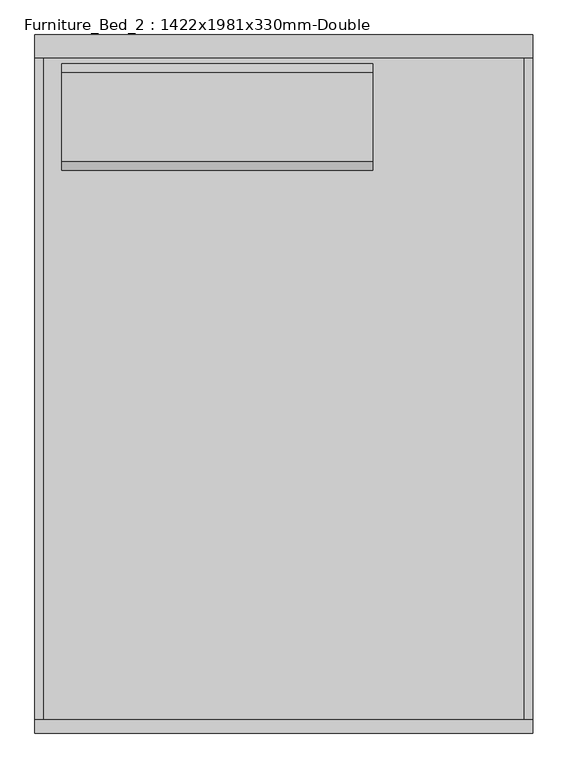
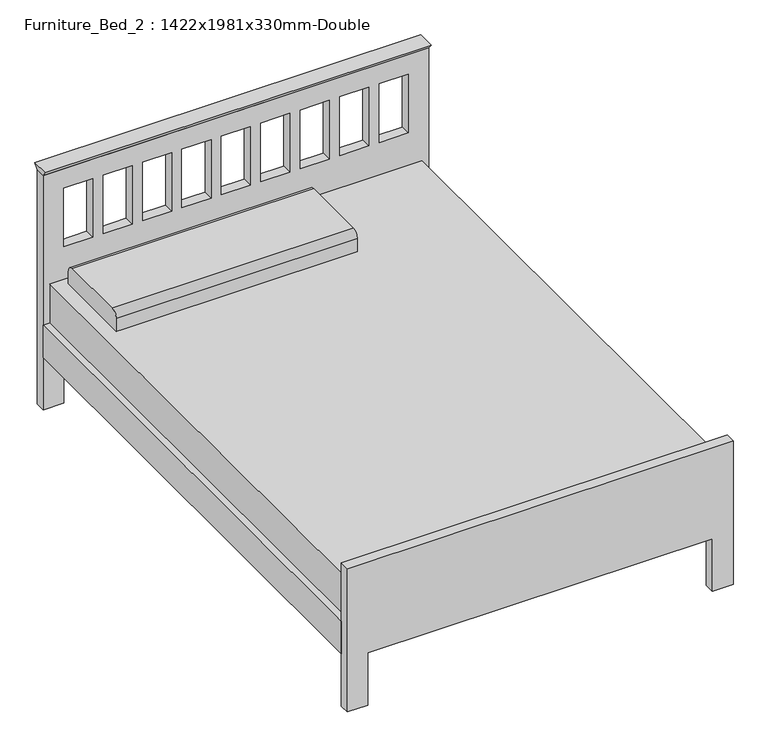
"""IFC4 building model written with IfcOpenShell, lengths in millimetres: furniture geometry, Furniture_Bed_2 : 1422x1981x330mm-Double."""

from ifc_helpers import new_model, si_unit, point, frame, frame_2d, origin, place, context, project, spatial, polyline, circle_curve, trimmed, segment, composite_curve, outline, extrude, source, transform, mapped, element, save


def furniture_bed_2_1422x1981x330mm_double_4b4b7670(model_context):
    return source(origin(), model_context, "Body", "SweptSolid", [
        extrude(outline(polyline([(-38.1, 914.4), (-51.9545455, 933.45), (13.8545455, 933.45), (0.0, 914.4), (-38.1, 914.4)])), frame((-730.0365546, 0.0, 0.0), z_axis=(1.0, 0.0, 0.0), x_axis=(0.0, 1.0, 0.0)), (0.0, 0.0, 1.0), 1422.4533613),
        extrude(outline(composite_curve([segment(polyline([(-373.2486637, 482.6), (-373.2486637, 533.4)]), True, "CONTINUOUS"), segment(trimmed(circle_curve(frame_2d((-347.8486637, 533.4)), 25.4), [point((-373.2486637, 533.4))], [point((-347.8486637, 558.8))], False, "CARTESIAN"), True, "CONTINUOUS"), segment(polyline([(-347.8486637, 558.8), (-93.8486637, 558.8)]), True, "CONTINUOUS"), segment(trimmed(circle_curve(frame_2d((-93.8486637, 533.4)), 25.4), [point((-93.8486637, 558.8))], [point((-68.4486637, 533.4))], False, "CARTESIAN"), True, "CONTINUOUS"), segment(polyline([(-68.4486637, 533.4), (-68.4486637, 482.6), (-373.2486637, 482.6)]), True, "CONTINUOUS")], self_intersect=False)), frame((-654.05, 0.0, 0.0), z_axis=(1.0, 0.0, 0.0), x_axis=(0.0, 1.0, 0.0)), (0.0, 0.0, 1.0), 889.0),
        extrude(outline(polyline([(666.75, -38.1), (666.75, -1943.1), (-704.85, -1943.1), (-704.85, -38.1), (666.75, -38.1)])), frame((0.0, 0.0, 228.6), z_axis=(0.0, 0.0, 1.0), x_axis=(1.0, 0.0, 0.0)), (0.0, 0.0, 1.0), 254.0),
        extrude(outline(polyline([(666.75, -1943.1), (666.75, -38.1), (692.15, -38.1), (692.15, -1943.1), (666.75, -1943.1)])), frame((0.0, 0.0, 203.0994861), z_axis=(0.0, 0.0, 1.0), x_axis=(1.0, 0.0, 0.0)), (0.0, 0.0, 1.0), 127.0),
        extrude(outline(polyline([(-730.25, -1943.1), (-730.25, -38.1), (-704.85, -38.1), (-704.85, -1943.1), (-730.25, -1943.1)])), frame((0.0, 0.0, 203.5755296), z_axis=(0.0, 0.0, 1.0), x_axis=(1.0, 0.0, 0.0)), (0.0, 0.0, 1.0), 127.0),
        extrude(outline(polyline([(0.0, -654.05), (203.2, -654.05), (203.2, 615.95), (0.0, 615.95), (0.0, 692.15), (558.8, 692.15), (558.8, -730.25), (0.0, -730.25), (0.0, -654.05)])), frame((0.0, -1981.2, 0.0), z_axis=(0.0, 1.0, 0.0), x_axis=(0.0, 0.0, 1.0)), (0.0, 0.0, 1.0), 38.1),
        extrude(outline(polyline([(914.4, 692.4168067), (914.4, -730.0365546), (0.0, -730.0365546), (0.0, -654.05), (203.2, -654.05), (203.2, 234.95), (0.0, 234.95), (0.0, 692.4168067), (914.4, 692.4168067)]), holes=[polyline([(838.2, -546.8055556), (609.6, -546.8055556), (609.6, -654.05), (838.2, -654.05), (838.2, -546.8055556)]), polyline([(838.2, -401.4611111), (609.6, -401.4611111), (609.6, -508.7055556), (838.2, -508.7055556), (838.2, -401.4611111)]), polyline([(838.2, -256.1166667), (609.6, -256.1166667), (609.6, -363.3611111), (838.2, -363.3611111), (838.2, -256.1166667)]), polyline([(838.2, -110.7722222), (609.6, -110.7722222), (609.6, -218.0166667), (838.2, -218.0166667), (838.2, -110.7722222)]), polyline([(838.2, 179.9166667), (609.6, 179.9166667), (609.6, 72.6722222), (838.2, 72.6722222), (838.2, 179.9166667)]), polyline([(838.2, 325.2611111), (609.6, 325.2611111), (609.6, 218.0166667), (838.2, 218.0166667), (838.2, 325.2611111)]), polyline([(838.2, 470.6055556), (609.6, 470.6055556), (609.6, 363.3611111), (838.2, 363.3611111), (838.2, 470.6055556)]), polyline([(838.2, 615.95), (609.6, 615.95), (609.6, 508.7055556), (838.2, 508.7055556), (838.2, 615.95)]), polyline([(838.2, 34.5722222), (609.6, 34.5722222), (609.6, -72.6722222), (838.2, -72.6722222), (838.2, 34.5722222)])]), frame((0.0, -38.1, 0.0), z_axis=(0.0, 1.0, 0.0), x_axis=(0.0, 0.0, 1.0)), (0.0, 0.0, 1.0), 38.1),
    ])


if __name__ == "__main__":
    model = new_model("IFC4")
    model_context = context("Model", 3, world=origin())
    ifc_project = project(units=[si_unit("LENGTHUNIT", "METRE", prefix="MILLI")], contexts=[model_context])
    site = spatial("IfcSite", under=ifc_project)
    building = spatial("IfcBuilding", under=site)
    placement = place(None, origin())
    furniture_bed_2_1422x1981x330mm_double_shape = furniture_bed_2_1422x1981x330mm_double_4b4b7670(model_context)
    element("IfcFurniture", 1, ObjectType="Furniture_Bed_2 : 1422x1981x330mm-Double", at=placement, inside=building, context=model_context, shape_type="MappedRepresentation", body=[
        mapped(furniture_bed_2_1422x1981x330mm_double_shape, transform((0.0, 0.0, 0.0), x_axis=(1.0, 0.0, 0.0), y_axis=(0.0, 1.0, 0.0), z_axis=(0.0, 0.0, 1.0))),
    ])
    save(model, "model.ifc")
